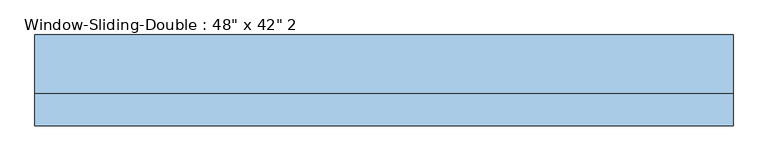
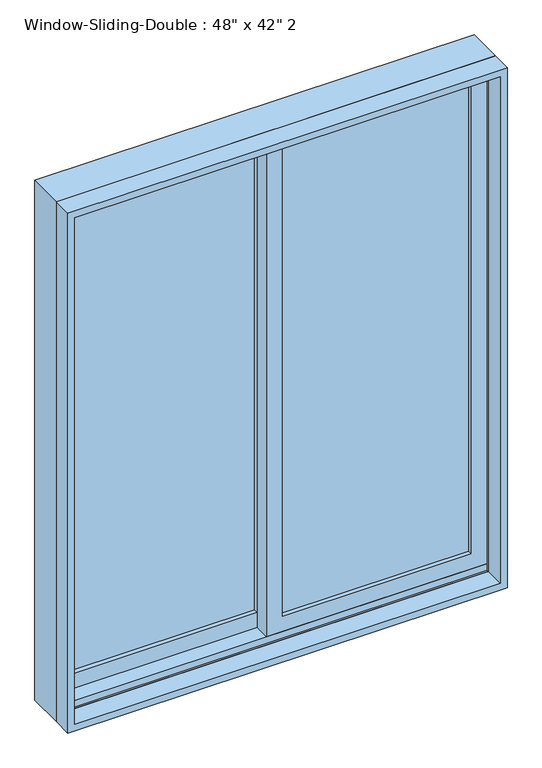
"""IFC4 building model written with IfcOpenShell, lengths in millimetres: window geometry."""

from ifc_helpers import new_model, si_unit, frame, origin, place, context, project, spatial, polyline, outline, extrude, faceted_brep, source, transform, mapped, element, save


def window_a2b6082f(model_context):
    return source(origin(), model_context, "Body", "SolidModel", [
        faceted_brep([(-609.6, -16.51, 914.4), (-609.6, 85.09, 914.4), (609.6, 85.09, 914.4), (609.6, -16.51, 914.4), (-568.6778905, 85.09, 2397.4778905), (-568.6778905, 78.74, 2397.4778905), (-568.6778905, 78.74, 933.45), (-568.6778905, 85.09, 933.45), (568.6778905, 78.74, 2397.4778905), (568.6778905, 78.74, 933.45), (590.55, 78.74, 933.45), (590.55, 78.74, 2419.35), (-590.55, 78.74, 2419.35), (-590.55, 78.74, 933.45), (-590.55, -16.51, 2419.35), (-590.55, -16.51, 933.45), (-590.55, -10.16, 933.45), (-590.55, -10.16, 952.5), (-590.55, 34.29, 952.5), (-590.55, 34.29, 933.45), (609.6, -16.51, 2438.4), (-609.6, -16.51, 2438.4), (590.55, -16.51, 2419.35), (590.55, -16.51, 933.45), (-609.6, 85.09, 2438.4), (609.6, 85.09, 2438.4), (568.6778905, 85.09, 933.45), (568.6778905, 85.09, 2397.4778905), (590.55, 34.29, 933.45), (590.55, 34.29, 952.5), (590.55, -10.16, 952.5), (590.55, -10.16, 933.45)], [[[0, 1, 2, 3]], [[4, 5, 6, 7]], [[5, 8, 9, 10, 11, 12, 13, 6]], [[12, 14, 15, 16, 17, 18, 19, 13]], [[0, 3, 20, 21], [22, 23, 15, 14]], [[24, 1, 0, 21]], [[2, 1, 24, 25], [4, 7, 26, 27]], [[5, 4, 27, 8]], [[12, 11, 22, 14]], [[21, 20, 25, 24]], [[8, 27, 26, 9]], [[22, 11, 10, 28, 29, 30, 31, 23]], [[20, 3, 2, 25]], [[26, 7, 6, 13, 19, 28, 10, 9]], [[28, 19, 18, 29]], [[29, 18, 17, 30]], [[30, 17, 16, 31]], [[15, 23, 31, 16]]]),
        extrude(outline(polyline([(2438.4, -609.6), (914.4, -609.6), (914.4, 609.6), (2438.4, 609.6), (2438.4, -609.6)]), holes=[polyline([(2419.35, 590.55), (933.45, 590.55), (933.45, -590.55), (2419.35, -590.55), (2419.35, 590.55)])]), frame((0.0, -73.66, 0.0), z_axis=(0.0, 1.0, 0.0), x_axis=(0.0, 0.0, 1.0)), (0.0, 0.0, 1.0), 57.15),
        extrude(outline(polyline([(546.1, 21.59), (546.1, 15.24), (22.225, 15.24), (22.225, 21.59), (546.1, 21.59)])), frame((0.0, 0.0, 996.95), z_axis=(0.0, 0.0, 1.0), x_axis=(1.0, 0.0, 0.0)), (0.0, 0.0, 1.0), 1377.95),
        extrude(outline(polyline([(546.1, 8.89), (546.1, 2.54), (22.225, 2.54), (22.225, 8.89), (546.1, 8.89)])), frame((0.0, 0.0, 996.95), z_axis=(0.0, 0.0, 1.0), x_axis=(1.0, 0.0, 0.0)), (0.0, 0.0, 1.0), 1377.95),
        extrude(outline(polyline([(-22.225, 66.04), (-22.225, 59.69), (-546.1, 59.69), (-546.1, 66.04), (-22.225, 66.04)])), frame((0.0, 0.0, 996.95), z_axis=(0.0, 0.0, 1.0), x_axis=(1.0, 0.0, 0.0)), (0.0, 0.0, 1.0), 1377.95),
        extrude(outline(polyline([(-22.225, 53.34), (-22.225, 46.99), (-546.1, 46.99), (-546.1, 53.34), (-22.225, 53.34)])), frame((0.0, 0.0, 996.95), z_axis=(0.0, 0.0, 1.0), x_axis=(1.0, 0.0, 0.0)), (0.0, 0.0, 1.0), 1377.95),
        extrude(outline(polyline([(933.45, -590.55), (933.45, 22.225), (2419.35, 22.225), (2419.35, -590.55), (933.45, -590.55)]), holes=[polyline([(2374.9, -22.225), (996.95, -22.225), (996.95, -546.1), (2374.9, -546.1), (2374.9, -22.225)])]), frame((0.0, 34.29, 0.0), z_axis=(0.0, 1.0, 0.0), x_axis=(0.0, 0.0, 1.0)), (0.0, 0.0, 1.0), 44.45),
        extrude(outline(polyline([(952.5, 590.55), (2419.35, 590.55), (2419.35, -22.225), (952.5, -22.225), (952.5, 590.55)]), holes=[polyline([(996.95, 22.225), (2374.9, 22.225), (2374.9, 546.1), (996.95, 546.1), (996.95, 22.225)])]), frame((0.0, -10.16, 0.0), z_axis=(0.0, 1.0, 0.0), x_axis=(0.0, 0.0, 1.0)), (0.0, 0.0, 1.0), 44.45),
    ])


if __name__ == "__main__":
    model = new_model("IFC4")
    model_context = context("Model", 3, world=origin())
    ifc_project = project(units=[si_unit("LENGTHUNIT", "METRE", prefix="MILLI")], contexts=[model_context])
    site = spatial("IfcSite", under=ifc_project)
    building = spatial("IfcBuilding", under=site)
    placement = place(None, origin())
    window_shape = window_a2b6082f(model_context)
    element("IfcWindow", 1, ObjectType="Window-Sliding-Double : 48\" x 42\" 2", at=placement, inside=building, context=model_context, shape_type="MappedRepresentation", body=[
        mapped(window_shape, transform((0.0, 0.0, 0.0), x_axis=(1.0, 0.0, 0.0), y_axis=(0.0, 1.0, 0.0), z_axis=(0.0, 0.0, 1.0))),
    ])
    save(model, "model.ifc")
